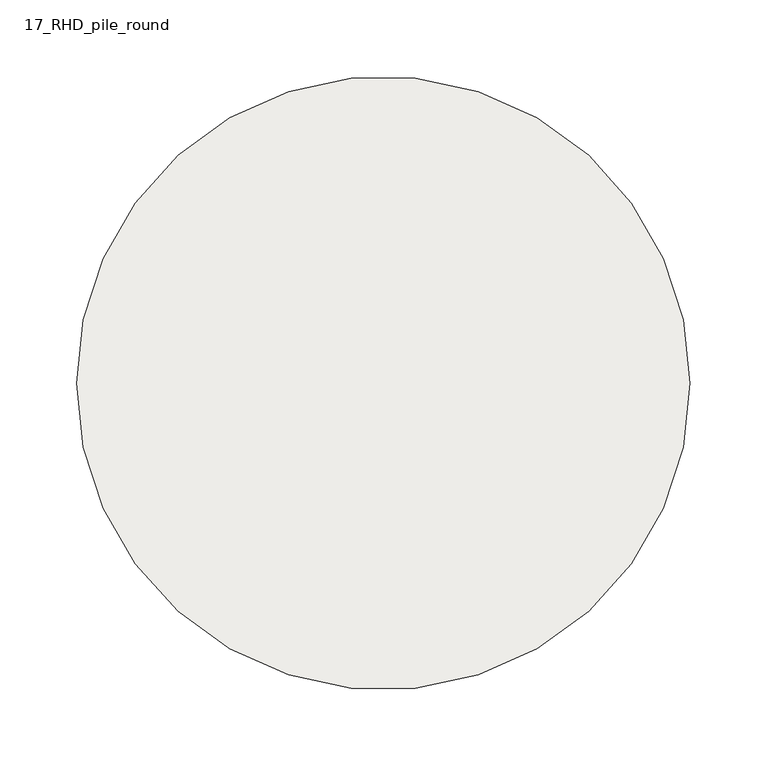
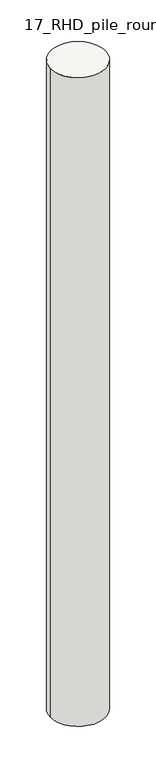
"""IFC4 building model written with IfcOpenShell, lengths in millimetres: slab geometry, 17_RHD_pile_round."""

from ifc_helpers import new_model, si_unit, point, frame, origin, origin_2d, place, context, project, spatial, circle_curve, trimmed, segment, composite_curve, outline, extrude, source, transform, mapped, element, save


def slab_17_rhd_pile_round_9a991758(model_context):
    return source(origin(), model_context, "Body", "SweptSolid", [
        extrude(outline(composite_curve([segment(trimmed(circle_curve(origin_2d(), 200.0), [point((-200.0, 0.0))], [point((200.0, 0.0))], False, "CARTESIAN"), True, "CONTINUOUS"), segment(trimmed(circle_curve(origin_2d(), 200.0), [point((200.0, 0.0))], [point((-200.0, 0.0))], False, "CARTESIAN"), True, "CONTINUOUS")], self_intersect=False)), frame((0.0, 0.0, -5000.0), z_axis=(0.0, 0.0, 1.0), x_axis=(1.0, 0.0, 0.0)), (0.0, 0.0, 1.0), 5000.0),
    ])


if __name__ == "__main__":
    model = new_model("IFC4")
    model_context = context("Model", 3, world=origin())
    ifc_project = project(units=[si_unit("LENGTHUNIT", "METRE", prefix="MILLI")], contexts=[model_context])
    site = spatial("IfcSite", under=ifc_project)
    building = spatial("IfcBuilding", under=site)
    placement = place(None, origin())
    slab_17_rhd_pile_round_shape = slab_17_rhd_pile_round_9a991758(model_context)
    element("IfcSlab", 1, ObjectType="17_RHD_pile_round", at=placement, inside=building, context=model_context, shape_type="MappedRepresentation", body=[
        mapped(slab_17_rhd_pile_round_shape, transform((0.0, 0.0, 0.0), x_axis=(1.0, 0.0, 0.0), y_axis=(0.0, 1.0, 0.0), z_axis=(0.0, 0.0, 1.0))),
    ])
    save(model, "model.ifc")
